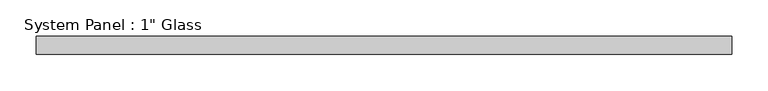
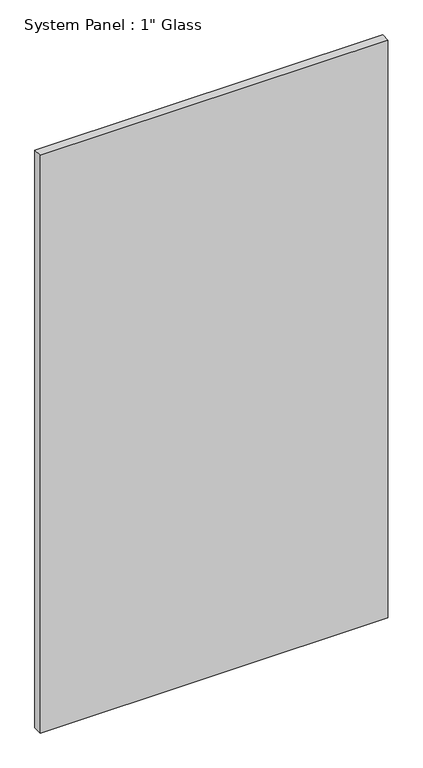
"""IFC4 building model written with IfcOpenShell, lengths in millimetres: plate geometry."""

from ifc_helpers import new_model, si_unit, origin, origin_with_axes, place, context, project, spatial, polyline, outline, extrude, source, transform, mapped, element, save


def plate_1ed0c5ff(model_context):
    return source(origin(), model_context, "Body", "SweptSolid", [
        extrude(outline(polyline([(482.6, -12.7), (-482.6, -12.7), (-482.6, 12.7), (482.6, 12.7), (482.6, -12.7)])), origin_with_axes(), (0.0, 0.0, 1.0), 1695.45),
    ])


if __name__ == "__main__":
    model = new_model("IFC4")
    model_context = context("Model", 3, world=origin())
    ifc_project = project(units=[si_unit("LENGTHUNIT", "METRE", prefix="MILLI")], contexts=[model_context])
    site = spatial("IfcSite", under=ifc_project)
    building = spatial("IfcBuilding", under=site)
    placement = place(None, origin())
    plate_shape = plate_1ed0c5ff(model_context)
    element("IfcPlate", 1, ObjectType="System Panel : 1\" Glass", at=placement, inside=building, context=model_context, shape_type="MappedRepresentation", body=[
        mapped(plate_shape, transform((0.0, 0.0, 0.0), x_axis=(1.0, 0.0, 0.0), y_axis=(0.0, 1.0, 0.0), z_axis=(0.0, 0.0, 1.0))),
    ])
    save(model, "model.ifc")
